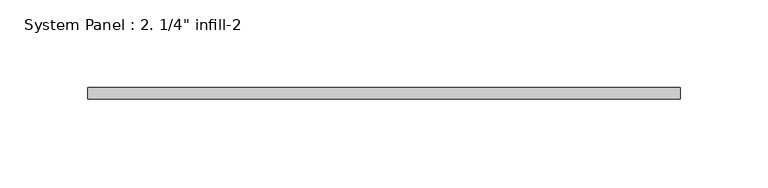
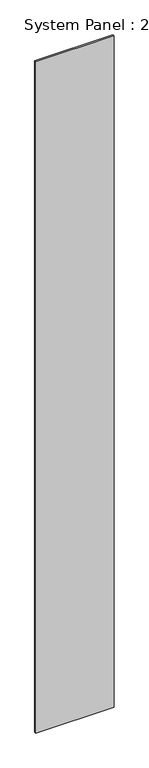
"""IFC4 building model written with IfcOpenShell, lengths in millimetres: plate geometry."""

from ifc_helpers import new_model, si_unit, origin, origin_with_axes, place, context, project, spatial, polyline, outline, extrude, source, transform, mapped, element, save


def plate_7e59ec66(model_context):
    return source(origin(), model_context, "Body", "SweptSolid", [
        extrude(outline(polyline([(168.275, 0.0), (-168.275, 0.0), (-168.275, 6.35), (168.275, 6.35), (168.275, 0.0)])), origin_with_axes(), (0.0, 0.0, 1.0), 3048.0),
    ])


if __name__ == "__main__":
    model = new_model("IFC4")
    model_context = context("Model", 3, world=origin())
    ifc_project = project(units=[si_unit("LENGTHUNIT", "METRE", prefix="MILLI")], contexts=[model_context])
    site = spatial("IfcSite", under=ifc_project)
    building = spatial("IfcBuilding", under=site)
    placement = place(None, origin())
    plate_shape = plate_7e59ec66(model_context)
    element("IfcPlate", 1, ObjectType="System Panel : 2. 1/4\" infill-2", at=placement, inside=building, context=model_context, shape_type="MappedRepresentation", body=[
        mapped(plate_shape, transform((0.0, 0.0, 0.0), x_axis=(1.0, 0.0, 0.0), y_axis=(0.0, 1.0, 0.0), z_axis=(0.0, 0.0, 1.0))),
    ])
    save(model, "model.ifc")
